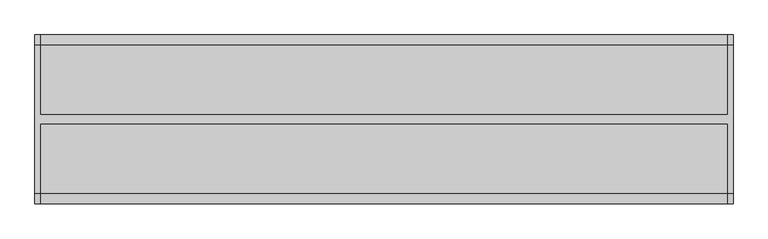
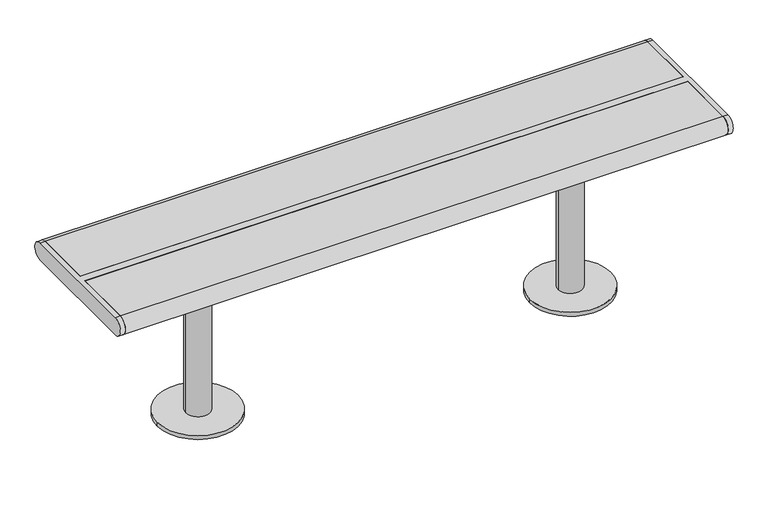
"""IFC4 building model written with IfcOpenShell, lengths in millimetres: furniture geometry."""

from ifc_helpers import new_model, si_unit, point, frame, frame_2d, origin, origin_with_axes, place, context, project, spatial, polyline, circle_curve, trimmed, segment, composite_curve, outline, extrude, source, transform, mapped, element, save
from ifc_brep_helpers import plane_surface, cylinder_surface, advanced_brep


def furniture_86b7e50c(model_context):
    return source(origin(), model_context, "Body", "SolidModel", [
        extrude(outline(composite_curve([segment(trimmed(circle_curve(frame_2d((460.0, 0.0)), 100.0), [point((360.0, 0.0))], [point((560.0, 0.0))], False, "CARTESIAN"), True, "CONTINUOUS"), segment(trimmed(circle_curve(frame_2d((460.0, 0.0)), 100.0), [point((560.0, 0.0))], [point((360.0, 0.0))], False, "CARTESIAN"), True, "CONTINUOUS")], self_intersect=False)), origin_with_axes(), (0.0, 0.0, 1.0), 10.0),
        extrude(outline(composite_curve([segment(trimmed(circle_curve(frame_2d((460.0, 0.0)), 30.0), [point((430.0, 0.0))], [point((490.0, 0.0))], False, "CARTESIAN"), True, "CONTINUOUS"), segment(trimmed(circle_curve(frame_2d((460.0, 0.0)), 30.0), [point((490.0, 0.0))], [point((430.0, 0.0))], False, "CARTESIAN"), True, "CONTINUOUS")], self_intersect=False)), frame((0.0, 0.0, 10.0), z_axis=(0.0, 0.0, 1.0), x_axis=(1.0, 0.0, 0.0)), (0.0, 0.0, 1.0), 379.0),
        extrude(outline(polyline([(535.0, 125.0), (535.0, -125.0), (385.0, -125.0), (385.0, 125.0), (535.0, 125.0)])), frame((0.0, 0.0, 389.0), z_axis=(0.0, 0.0, 1.0), x_axis=(1.0, 0.0, 0.0)), (0.0, 0.0, 1.0), 16.0),
        extrude(outline(composite_curve([segment(trimmed(circle_curve(frame_2d((-460.0, 0.0)), 100.0), [point((-560.0, 0.0))], [point((-360.0, 0.0))], False, "CARTESIAN"), True, "CONTINUOUS"), segment(trimmed(circle_curve(frame_2d((-460.0, 0.0)), 100.0), [point((-360.0, 0.0))], [point((-560.0, 0.0))], False, "CARTESIAN"), True, "CONTINUOUS")], self_intersect=False)), origin_with_axes(), (0.0, 0.0, 1.0), 10.0),
        extrude(outline(composite_curve([segment(trimmed(circle_curve(frame_2d((-460.0, 0.0)), 30.0), [point((-490.0, 0.0))], [point((-430.0, 0.0))], False, "CARTESIAN"), True, "CONTINUOUS"), segment(trimmed(circle_curve(frame_2d((-460.0, 0.0)), 30.0), [point((-430.0, 0.0))], [point((-490.0, 0.0))], False, "CARTESIAN"), True, "CONTINUOUS")], self_intersect=False)), frame((0.0, 0.0, 10.0), z_axis=(0.0, 0.0, 1.0), x_axis=(1.0, 0.0, 0.0)), (0.0, 0.0, 1.0), 379.0),
        extrude(outline(polyline([(-385.0, 125.0), (-385.0, -125.0), (-535.0, -125.0), (-535.0, 125.0), (-385.0, 125.0)])), frame((0.0, 0.0, 389.0), z_axis=(0.0, 0.0, 1.0), x_axis=(1.0, 0.0, 0.0)), (0.0, 0.0, 1.0), 16.0),
        advanced_brep(
        [(757.0, -160.5, 405.0), (757.0, 160.5, 405.0), (757.0, 160.5, 450.0), (757.0, -160.5, 450.0), (745.0, -160.5, 405.0), (745.0, -160.5, 450.0), (745.0, -10.0, 450.0), (745.0, -10.0, 405.0), (745.0, 160.5, 450.0), (745.0, 160.5, 405.0), (745.0, 10.0, 405.0), (745.0, 10.0, 450.0), (-745.0, 10.0, 450.0), (-745.0, 160.5, 450.0), (-757.0, 160.5, 450.0), (-757.0, -160.5, 450.0), (-745.0, -160.5, 450.0), (-745.0, -10.0, 450.0), (-745.0, -10.0, 405.0), (-745.0, -160.5, 405.0), (-757.0, -160.5, 405.0), (-757.0, 160.5, 405.0), (-745.0, 160.5, 405.0), (-745.0, 10.0, 405.0)],
        [
            (0, 1),
            (1, 2, circle_curve(frame((757.0, 160.5, 427.5), z_axis=(1.0, 0.0, 0.0), x_axis=(0.0, 1.0, 0.0)), 22.5)),
            (2, 3),
            (3, 0, circle_curve(frame((757.0, -160.5, 427.5), z_axis=(1.0, 0.0, 0.0), x_axis=(0.0, -1.0, 0.0)), 22.5)),
            (4, 5, circle_curve(frame((745.0, -160.5, 427.5), z_axis=(-1.0, 0.0, 0.0), x_axis=(0.0, -1.0, 0.0)), 22.5)),
            (5, 6),
            (6, 7),
            (7, 4),
            (8, 9, circle_curve(frame((745.0, 160.5, 427.5), z_axis=(-1.0, 0.0, 0.0), x_axis=(0.0, 1.0, 0.0)), 22.5)),
            (9, 10),
            (10, 11),
            (11, 8),
            (2, 8),
            (11, 12),
            (12, 13),
            (13, 14),
            (14, 15),
            (15, 16),
            (16, 17),
            (17, 6),
            (5, 3),
            (0, 4),
            (7, 18),
            (18, 19),
            (19, 20),
            (20, 21),
            (21, 22),
            (22, 23),
            (23, 10),
            (9, 1),
            (17, 18),
            (23, 12),
            (22, 13, circle_curve(frame((-745.0, 160.5, 427.5), z_axis=(1.0, 0.0, 0.0), x_axis=(0.0, -1.0, 0.0)), 22.5)),
            (16, 19, circle_curve(frame((-745.0, -160.5, 427.5), z_axis=(1.0, 0.0, 0.0), x_axis=(0.0, -1.0, 0.0)), 22.5)),
            (20, 15, circle_curve(frame((-757.0, -160.5, 427.5), z_axis=(-1.0, 0.0, 0.0), x_axis=(0.0, -1.0, 0.0)), 22.5)),
            (14, 21, circle_curve(frame((-757.0, 160.5, 427.5), z_axis=(-1.0, 0.0, 0.0), x_axis=(0.0, -1.0, 0.0)), 22.5)),
        ],
        [
            plane_surface(frame((757.0, 160.5, 405.0), z_axis=(1.0, 0.0, 0.0), x_axis=(0.0, 1.0, 0.0))),
            plane_surface(frame((745.0, 160.5, 405.0), z_axis=(-1.0, 0.0, 0.0), x_axis=(0.0, -1.0, 0.0))),
            plane_surface(frame((757.0, 160.5, 450.0), z_axis=(0.0, 0.0, 1.0), x_axis=(-1.0, 0.0, 0.0))),
            plane_surface(frame((757.0, -160.5, 405.0), z_axis=(0.0, 0.0, -1.0), x_axis=(-1.0, 0.0, 0.0))),
            cylinder_surface(frame((745.0, -160.5, 427.5), z_axis=(1.0, 0.0, 0.0), x_axis=(0.0, -1.0, 0.0)), 22.5),
            cylinder_surface(frame((745.0, 160.5, 427.5), z_axis=(1.0, 0.0, 0.0), x_axis=(0.0, 1.0, 0.0)), 22.5),
            plane_surface(frame((745.0, -10.0, 450.0), z_axis=(0.0, -1.0, 0.0), x_axis=(-1.0, 0.0, 0.0))),
            plane_surface(frame((745.0, 10.0, 405.0), z_axis=(0.0, 1.0, 0.0), x_axis=(-1.0, 0.0, 0.0))),
            plane_surface(frame((-745.0, 160.5, 405.0), z_axis=(1.0, 0.0, 0.0), x_axis=(0.0, 1.0, 0.0))),
            plane_surface(frame((-757.0, 160.5, 405.0), z_axis=(-1.0, 0.0, 0.0), x_axis=(0.0, -1.0, 0.0))),
            cylinder_surface(frame((-757.0, -160.5, 427.5), z_axis=(1.0, 0.0, 0.0), x_axis=(0.0, -1.0, 0.0)), 22.5),
            cylinder_surface(frame((-757.0, 160.5, 427.5), z_axis=(1.0, 0.0, 0.0), x_axis=(0.0, -1.0, 0.0)), 22.5),
        ],
        [
            (0, [[1, 2, 3, 4]]),
            (1, [[5, 6, 7, 8]]),
            (1, [[9, 10, 11, 12]]),
            (2, [[-3, 13, -12, 14, 15, 16, 17, 18, 19, 20, -6, 21]]),
            (3, [[-1, 22, -8, 23, 24, 25, 26, 27, 28, 29, -10, 30]]),
            (4, [[-4, -21, -5, -22]]),
            (5, [[-2, -30, -9, -13]]),
            (6, [[-20, 31, -23, -7]]),
            (7, [[-14, -11, -29, 32]]),
            (8, [[33, -15, -32, -28]]),
            (8, [[34, -24, -31, -19]]),
            (9, [[35, -17, 36, -26]]),
            (10, [[-34, -18, -35, -25]]),
            (11, [[-33, -27, -36, -16]]),
        ],
    ),
        extrude(outline(composite_curve([segment(polyline([(10.0, 405.0), (10.0, 450.0), (160.5, 450.0)]), True, "CONTINUOUS"), segment(trimmed(circle_curve(frame_2d((160.5, 427.5)), 22.5), [point((160.5, 450.0))], [point((160.5, 405.0))], False, "CARTESIAN"), True, "CONTINUOUS"), segment(polyline([(160.5, 405.0), (10.0, 405.0)]), True, "CONTINUOUS")], self_intersect=False)), frame((-745.0, 0.0, 0.0), z_axis=(1.0, 0.0, 0.0), x_axis=(0.0, 1.0, 0.0)), (0.0, 0.0, 1.0), 1490.0),
        extrude(outline(composite_curve([segment(polyline([(-10.0, 405.0), (-160.5, 405.0)]), True, "CONTINUOUS"), segment(trimmed(circle_curve(frame_2d((-160.5, 427.5)), 22.5), [point((-160.5, 405.0))], [point((-160.5, 450.0))], False, "CARTESIAN"), True, "CONTINUOUS"), segment(polyline([(-160.5, 450.0), (-10.0, 450.0), (-10.0, 405.0)]), True, "CONTINUOUS")], self_intersect=False)), frame((-745.0, 0.0, 0.0), z_axis=(1.0, 0.0, 0.0), x_axis=(0.0, 1.0, 0.0)), (0.0, 0.0, 1.0), 1490.0),
    ])


if __name__ == "__main__":
    model = new_model("IFC4")
    model_context = context("Model", 3, world=origin())
    ifc_project = project(units=[si_unit("LENGTHUNIT", "METRE", prefix="MILLI")], contexts=[model_context])
    site = spatial("IfcSite", under=ifc_project)
    building = spatial("IfcBuilding", under=site)
    placement = place(None, origin())
    furniture_shape = furniture_86b7e50c(model_context)
    element("IfcFurniture", 1, at=placement, inside=building, context=model_context, shape_type="MappedRepresentation", body=[
        mapped(furniture_shape, transform((0.0, 0.0, 0.0), x_axis=(1.0, 0.0, 0.0), y_axis=(0.0, 1.0, 0.0), z_axis=(0.0, 0.0, 1.0))),
    ])
    save(model, "model.ifc")
